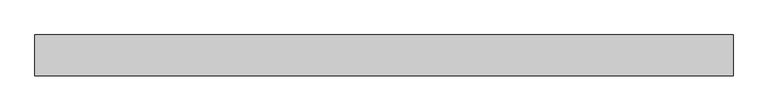
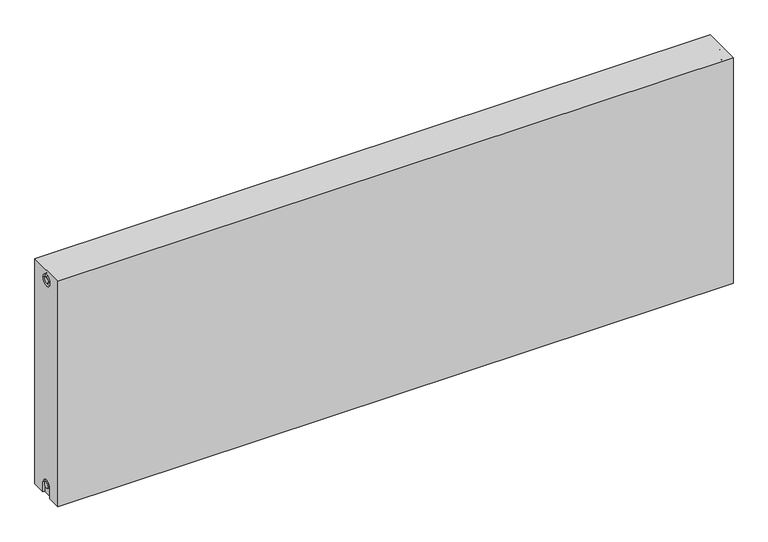
"""IFC4 building model written with IfcOpenShell, lengths in millimetres: proxy geometry."""

from ifc_helpers import new_model, si_unit, frame, origin, place, context, project, spatial, polyline, circle_curve, source, transform, mapped, element, save
from ifc_brep_helpers import plane_surface, cylinder_surface, revolved_surface, advanced_brep


def mechanical_equipment_4a727774(model_context):
    return source(origin(), model_context, "Body", "AdvancedBrep", [
        advanced_brep(
        [(1700.0, 50.0, 600.0), (1700.0, 50.0, 0.0), (0.0, 50.0, 0.0), (0.0, 50.0, 600.0), (1700.0, -50.0, 600.0), (0.0, -50.0, 600.0), (0.0, -50.0, 0.0), (1700.0, -50.0, 0.0), (1700.0, -15.0, 0.0), (1700.0, -15.0, 27.0), (1700.0, 15.0, 27.0), (1700.0, 15.0, 0.0), (1700.0, 14.7242393, 573.0), (1700.0, -15.2757607, 573.0), (1700.0, -7.5, 27.0), (1700.0, 7.5, 27.0), (1700.0, 7.2242393, 573.0), (1700.0, -7.7757607, 573.0), (1695.0, 15.0, 0.0), (1695.0, -15.0, 0.0), (0.0, -15.0, 0.0), (5.0, -15.0, 0.0), (5.0, 15.0, 0.0), (0.0, 15.0, 0.0), (0.0, 15.0, 27.0), (0.0, -15.0, 27.0), (0.0, -15.2757607, 573.0), (0.0, 14.7242393, 573.0), (0.0, -7.7757607, 573.0), (0.0, 7.2242393, 573.0), (0.0, 7.5682726, 27.0), (0.0, -7.4317274, 27.0), (5.0, -15.2757607, 573.0), (5.0, 14.7242393, 573.0), (5.0, -7.7757607, 573.0), (5.0, 7.2242393, 573.0), (5.0, -15.0, 27.0), (5.0, 15.0, 27.0), (5.0, -7.4317274, 27.0), (5.0, 7.5682726, 27.0), (1695.0, 15.0, 27.0), (1695.0, -15.0, 27.0), (1695.0, -7.5, 27.0), (1695.0, 7.5, 27.0), (1695.0, -15.2757607, 573.0), (1695.0, 14.7242393, 573.0), (1695.0, -7.7757607, 573.0), (1695.0, 7.2242393, 573.0)],
        [
            (0, 1),
            (1, 2),
            (2, 3),
            (3, 0),
            (4, 5),
            (5, 6),
            (6, 7),
            (7, 4),
            (0, 4),
            (7, 8),
            (8, 9),
            (9, 10, circle_curve(frame((1700.0, 0.0, 27.0), z_axis=(-1.0, 0.0, 0.0), x_axis=(0.0, 1.0, 0.0)), 15.0)),
            (10, 11),
            (11, 1),
            (12, 13, circle_curve(frame((1700.0, -0.2757607, 573.0), z_axis=(-1.0, 0.0, 0.0), x_axis=(0.0, 1.0, 0.0)), 15.0)),
            (13, 12, circle_curve(frame((1700.0, -0.2757607, 573.0), z_axis=(-1.0, 0.0, 0.0), x_axis=(0.0, 1.0, 0.0)), 15.0)),
            (14, 15, circle_curve(frame((1700.0, 0.0, 27.0), z_axis=(1.0, 0.0, 0.0), x_axis=(0.0, 1.0, 0.0)), 7.5)),
            (15, 14, circle_curve(frame((1700.0, 0.0, 27.0), z_axis=(1.0, 0.0, 0.0), x_axis=(0.0, 1.0, 0.0)), 7.5)),
            (16, 17, circle_curve(frame((1700.0, -0.2757607, 573.0), z_axis=(1.0, 0.0, 0.0), x_axis=(0.0, 1.0, 0.0)), 7.5)),
            (17, 16, circle_curve(frame((1700.0, -0.2757607, 573.0), z_axis=(1.0, 0.0, 0.0), x_axis=(0.0, 1.0, 0.0)), 7.5)),
            (11, 18),
            (18, 19),
            (19, 8),
            (6, 20),
            (20, 21),
            (21, 22),
            (22, 23),
            (23, 2),
            (23, 24),
            (24, 25, circle_curve(frame((0.0, 0.0, 27.0), z_axis=(1.0, 0.0, 0.0), x_axis=(0.0, 1.0, 0.0)), 15.0)),
            (25, 20),
            (5, 3),
            (26, 27, circle_curve(frame((0.0, -0.2757607, 573.0), z_axis=(1.0, 0.0, 0.0), x_axis=(0.0, 1.0, 0.0)), 15.0)),
            (27, 26, circle_curve(frame((0.0, -0.2757607, 573.0), z_axis=(1.0, 0.0, 0.0), x_axis=(0.0, 1.0, 0.0)), 15.0)),
            (28, 29, circle_curve(frame((0.0, -0.2757607, 573.0), z_axis=(-1.0, 0.0, 0.0), x_axis=(0.0, 1.0, 0.0)), 7.5)),
            (29, 28, circle_curve(frame((0.0, -0.2757607, 573.0), z_axis=(-1.0, 0.0, 0.0), x_axis=(0.0, 1.0, 0.0)), 7.5)),
            (30, 31, circle_curve(frame((0.0, 0.0682726, 27.0), z_axis=(-1.0, 0.0, 0.0), x_axis=(0.0, 1.0, 0.0)), 7.5)),
            (31, 30, circle_curve(frame((0.0, 0.0682726, 27.0), z_axis=(-1.0, 0.0, 0.0), x_axis=(0.0, 1.0, 0.0)), 7.5)),
            (32, 33, circle_curve(frame((5.0, -0.2757607, 573.0), z_axis=(-1.0, 0.0, 0.0), x_axis=(0.0, 1.0, 0.0)), 15.0)),
            (33, 32, circle_curve(frame((5.0, -0.2757607, 573.0), z_axis=(-1.0, 0.0, 0.0), x_axis=(0.0, 1.0, 0.0)), 15.0)),
            (34, 35, circle_curve(frame((5.0, -0.2757607, 573.0), z_axis=(1.0, 0.0, 0.0), x_axis=(0.0, 1.0, 0.0)), 7.5)),
            (35, 34, circle_curve(frame((5.0, -0.2757607, 573.0), z_axis=(1.0, 0.0, 0.0), x_axis=(0.0, 1.0, 0.0)), 7.5)),
            (33, 27),
            (26, 32),
            (35, 29),
            (28, 34),
            (21, 36),
            (36, 37, circle_curve(frame((5.0, 0.0, 27.0), z_axis=(-1.0, 0.0, 0.0), x_axis=(0.0, 1.0, 0.0)), 15.0)),
            (37, 22),
            (38, 39, circle_curve(frame((5.0, 0.0682726, 27.0), z_axis=(1.0, 0.0, 0.0), x_axis=(0.0, 1.0, 0.0)), 7.5)),
            (39, 38, circle_curve(frame((5.0, 0.0682726, 27.0), z_axis=(1.0, 0.0, 0.0), x_axis=(0.0, 1.0, 0.0)), 7.5)),
            (38, 31),
            (30, 39),
            (37, 24),
            (36, 25),
            (18, 40),
            (40, 41, circle_curve(frame((1695.0, 0.0, 27.0), z_axis=(1.0, 0.0, 0.0), x_axis=(0.0, 1.0, 0.0)), 15.0)),
            (41, 19),
            (42, 43, circle_curve(frame((1695.0, 0.0, 27.0), z_axis=(-1.0, 0.0, 0.0), x_axis=(0.0, 1.0, 0.0)), 7.5)),
            (43, 42, circle_curve(frame((1695.0, 0.0, 27.0), z_axis=(-1.0, 0.0, 0.0), x_axis=(0.0, 1.0, 0.0)), 7.5)),
            (43, 15),
            (14, 42),
            (10, 40),
            (9, 41),
            (44, 45, circle_curve(frame((1695.0, -0.2757607, 573.0), z_axis=(1.0, 0.0, 0.0), x_axis=(0.0, 1.0, 0.0)), 15.0)),
            (45, 44, circle_curve(frame((1695.0, -0.2757607, 573.0), z_axis=(1.0, 0.0, 0.0), x_axis=(0.0, 1.0, 0.0)), 15.0)),
            (46, 47, circle_curve(frame((1695.0, -0.2757607, 573.0), z_axis=(-1.0, 0.0, 0.0), x_axis=(0.0, 1.0, 0.0)), 7.5)),
            (47, 46, circle_curve(frame((1695.0, -0.2757607, 573.0), z_axis=(-1.0, 0.0, 0.0), x_axis=(0.0, 1.0, 0.0)), 7.5)),
            (44, 13),
            (12, 45),
            (46, 17),
            (16, 47),
        ],
        [
            plane_surface(frame((1700.0, 50.0, 600.0), z_axis=(0.0, 1.0, 0.0), x_axis=(0.0, 0.0, -1.0))),
            plane_surface(frame((1700.0, -50.0, 600.0), z_axis=(0.0, -1.0, 0.0), x_axis=(0.0, 0.0, 1.0))),
            plane_surface(frame((1700.0, 50.0, 600.0), z_axis=(1.0, 0.0, 0.0), x_axis=(0.0, -1.0, 0.0))),
            plane_surface(frame((1700.0, 50.0, 0.0), z_axis=(0.0, 0.0, -1.0), x_axis=(0.0, -1.0, 0.0))),
            plane_surface(frame((0.0, 50.0, 0.0), z_axis=(-1.0, 0.0, 0.0), x_axis=(0.0, -1.0, 0.0))),
            plane_surface(frame((0.0, 50.0, 600.0), z_axis=(0.0, 0.0, 1.0), x_axis=(0.0, -1.0, 0.0))),
            plane_surface(frame((5.0, 14.7242393, 573.0), z_axis=(-1.0, 0.0, 0.0), x_axis=(0.0, 0.0, 1.0))),
            revolved_surface(polyline([(5.0, 14.7242393, 573.0), (0.0, 14.7242393, 573.0)]), (0.0, -0.2757607, 573.0), (1.0, 0.0, 0.0)),
            cylinder_surface(frame((0.0, -0.2757607, 573.0), z_axis=(-1.0, 0.0, 0.0), x_axis=(0.0, 1.0, 0.0)), 7.5),
            plane_surface(frame((5.0, 7.5682726, 27.0), z_axis=(-1.0, 0.0, 0.0), x_axis=(0.0, 0.0, -1.0))),
            cylinder_surface(frame((0.0, 0.0682726, 27.0), z_axis=(-1.0, 0.0, 0.0), x_axis=(0.0, 1.0, 0.0)), 7.5),
            plane_surface(frame((5.0, 15.0, 0.0), z_axis=(0.0, -1.0, 0.0), x_axis=(-1.0, 0.0, 0.0))),
            revolved_surface(polyline([(5.0, 15.0, 27.0), (0.0, 15.0, 27.0)]), (0.0, 0.0, 27.0), (1.0, 0.0, 0.0)),
            plane_surface(frame((5.0, -15.0, 27.0), z_axis=(0.0, 1.0, 0.0), x_axis=(-1.0, 0.0, 0.0))),
            plane_surface(frame((1695.0, 7.5, 27.0), z_axis=(1.0, 0.0, 0.0), x_axis=(0.0, 0.0, 1.0))),
            cylinder_surface(frame((1695.0, 0.0, 27.0), z_axis=(-1.0, 0.0, 0.0), x_axis=(0.0, 1.0, 0.0)), 7.5),
            plane_surface(frame((1700.0, 15.0, 0.0), z_axis=(0.0, -1.0, 0.0), x_axis=(-1.0, 0.0, 0.0))),
            revolved_surface(polyline([(1700.0, 15.0, 27.0), (1695.0, 15.0, 27.0)]), (895.0, 0.0, 27.0), (1.0, 0.0, 0.0)),
            plane_surface(frame((1700.0, -15.0, 27.0), z_axis=(0.0, 1.0, 0.0), x_axis=(-1.0, 0.0, 0.0))),
            plane_surface(frame((1695.0, 14.7242393, 573.0), z_axis=(1.0, 0.0, 0.0), x_axis=(0.0, 0.0, -1.0))),
            revolved_surface(polyline([(1700.0, 14.7242393, 573.0), (1695.0, 14.7242393, 573.0)]), (1695.0, -0.2757607, 573.0), (1.0, 0.0, 0.0)),
            cylinder_surface(frame((895.0, -0.2757607, 573.0), z_axis=(-1.0, 0.0, 0.0), x_axis=(0.0, 1.0, 0.0)), 7.5),
        ],
        [
            (0, [[1, 2, 3, 4]]),
            (1, [[5, 6, 7, 8]]),
            (2, [[-1, 9, -8, 10, 11, 12, 13, 14], [15, 16]]),
            (2, [[17, 18]]),
            (2, [[19, 20]]),
            (3, [[-2, -14, 21, 22, 23, -10, -7, 24, 25, 26, 27, 28]]),
            (4, [[-3, -28, 29, 30, 31, -24, -6, 32], [33, 34]]),
            (4, [[35, 36]]),
            (4, [[37, 38]]),
            (5, [[-4, -32, -5, -9]]),
            (6, [[39, 40], [41, 42]]),
            (7, [[-40, 43, -33, 44]]),
            (7, [[-39, -44, -34, -43]]),
            (8, [[-42, 45, -35, 46]]),
            (8, [[-41, -46, -36, -45]]),
            (9, [[47, 48, 49, -26], [50, 51]]),
            (10, [[-50, 52, -37, 53]]),
            (10, [[-51, -53, -38, -52]]),
            (11, [[-49, 54, -29, -27]]),
            (12, [[-48, 55, -30, -54]]),
            (13, [[-47, -25, -31, -55]]),
            (14, [[56, 57, 58, -22], [59, 60]]),
            (15, [[-60, 61, -17, 62]]),
            (15, [[-59, -62, -18, -61]]),
            (16, [[-56, -21, -13, 63]]),
            (17, [[-57, -63, -12, 64]]),
            (18, [[-58, -64, -11, -23]]),
            (19, [[65, 66], [67, 68]]),
            (20, [[-65, 69, -15, 70]]),
            (20, [[-66, -70, -16, -69]]),
            (21, [[-67, 71, -19, 72]]),
            (21, [[-68, -72, -20, -71]]),
        ],
    ),
    ])


if __name__ == "__main__":
    model = new_model("IFC4")
    model_context = context("Model", 3, world=origin())
    ifc_project = project(units=[si_unit("LENGTHUNIT", "METRE", prefix="MILLI")], contexts=[model_context])
    site = spatial("IfcSite", under=ifc_project)
    building = spatial("IfcBuilding", under=site)
    placement = place(None, origin())
    mechanical_equipment_shape = mechanical_equipment_4a727774(model_context)
    element("IfcBuildingElementProxy", 1, Name="Mechanical Equipment", at=placement, inside=building, context=model_context, shape_type="MappedRepresentation", body=[
        mapped(mechanical_equipment_shape, transform((0.0, 0.0, 0.0), x_axis=(1.0, 0.0, 0.0), y_axis=(0.0, 1.0, 0.0), z_axis=(0.0, 0.0, 1.0))),
    ])
    save(model, "model.ifc")
